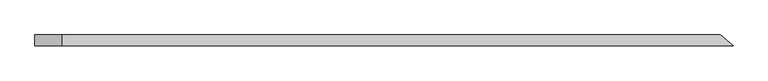
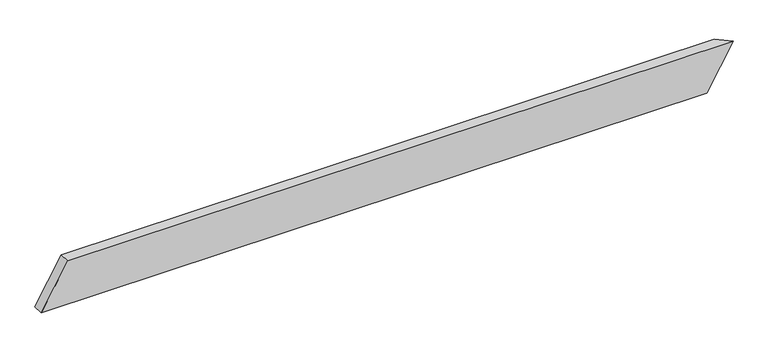
"""IFC4 building model written with IfcOpenShell, lengths in millimetres: beam geometry."""

from ifc_helpers import new_model, si_unit, origin, place, context, project, spatial, faceted_brep, source, transform, mapped, element, save


def beam_ea8f1fe3(model_context):
    return source(origin(), model_context, "Body", "Brep", [
        faceted_brep([(1533.2478035, -24.0, 100.0), (-1388.7962489, -24.0, 100.0), (-1505.4629156, -24.0, -100.0), (1416.5811369, -24.0, -100.0), (1477.6780276, 24.0, 100.0), (1361.0113609, 24.0, -100.0), (-1505.4629156, 24.0, -100.0), (-1388.7962489, 24.0, 100.0)], [[[0, 1, 2, 3]], [[4, 5, 6, 7]], [[5, 4, 0, 3]], [[6, 5, 3, 2]], [[7, 6, 2, 1]], [[4, 7, 1, 0]]]),
    ])


if __name__ == "__main__":
    model = new_model("IFC4")
    model_context = context("Model", 3, world=origin())
    ifc_project = project(units=[si_unit("LENGTHUNIT", "METRE", prefix="MILLI")], contexts=[model_context])
    site = spatial("IfcSite", under=ifc_project)
    building = spatial("IfcBuilding", under=site)
    placement = place(None, origin())
    beam_shape = beam_ea8f1fe3(model_context)
    element("IfcBeam", 1, at=placement, inside=building, context=model_context, shape_type="MappedRepresentation", body=[
        mapped(beam_shape, transform((0.0, 0.0, 0.0), x_axis=(1.0, 0.0, 0.0), y_axis=(0.0, 1.0, 0.0), z_axis=(0.0, 0.0, 1.0))),
    ])
    save(model, "model.ifc")
